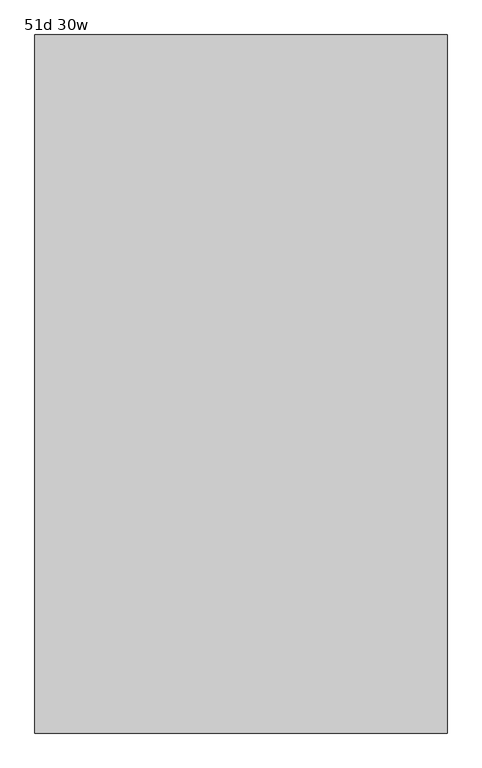
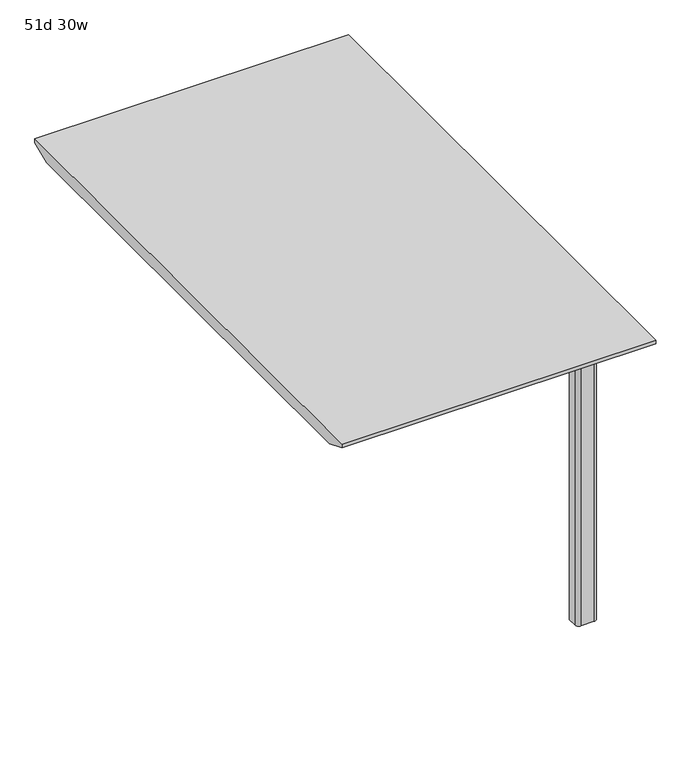
"""IFC4 building model written with IfcOpenShell, lengths in millimetres: furniture geometry, 51d 30w."""

from ifc_helpers import new_model, si_unit, point, frame_2d, origin, origin_with_axes, place, context, project, spatial, polyline, circle_curve, trimmed, segment, composite_curve, outline, extrude, faceted_brep, source, transform, mapped, element, save


def furniture_51d_30w_0f72da5d(model_context):
    return source(origin(), model_context, "Body", "SolidModel", [
        extrude(outline(composite_curve([segment(polyline([(508.0, -320.4034766), (457.2, -320.4034766), (457.2, -298.1784766)]), True, "CONTINUOUS"), segment(trimmed(circle_curve(frame_2d((466.725, -298.1784766)), 9.525), [point((457.2, -298.1784766))], [point((466.725, -288.6534766))], False, "CARTESIAN"), True, "CONTINUOUS"), segment(polyline([(466.725, -288.6534766), (498.475, -288.6534766)]), True, "CONTINUOUS"), segment(trimmed(circle_curve(frame_2d((498.475, -298.1784766)), 9.525), [point((498.475, -288.6534766))], [point((508.0, -298.1784766))], False, "CARTESIAN"), True, "CONTINUOUS"), segment(polyline([(508.0, -298.1784766), (508.0, -320.4034766)]), True, "CONTINUOUS")], self_intersect=False)), origin_with_axes(), (0.0, 0.0, 1.0), 711.2),
        extrude(outline(composite_curve([segment(polyline([(508.0, -1369.7409766), (508.0, -1391.9659766)]), True, "CONTINUOUS"), segment(trimmed(circle_curve(frame_2d((498.475, -1391.9659766)), 9.525), [point((508.0, -1391.9659766))], [point((498.475, -1401.4909766))], False, "CARTESIAN"), True, "CONTINUOUS"), segment(polyline([(498.475, -1401.4909766), (466.725, -1401.4909766)]), True, "CONTINUOUS"), segment(trimmed(circle_curve(frame_2d((466.725, -1391.9659766)), 9.525), [point((466.725, -1401.4909766))], [point((457.2, -1391.9659766))], False, "CARTESIAN"), True, "CONTINUOUS"), segment(polyline([(457.2, -1391.9659766), (457.2, -1369.7409766), (508.0, -1369.7409766)]), True, "CONTINUOUS")], self_intersect=False)), origin_with_axes(), (0.0, 0.0, 1.0), 711.2),
        faceted_brep([(596.9, -199.7534766, 741.3625), (-165.1, -199.7534766, 741.3625), (-165.1, -1490.3909766, 741.3625), (596.9, -1490.3909766, 741.3625), (-165.1, -1439.5909766, 711.2), (-165.1, -250.5534766, 711.2), (546.1, -250.5534766, 711.2), (546.1, -1439.5909766, 711.2), (596.9, -199.7534766, 731.8375), (-165.1, -199.7534766, 731.8375), (-165.1, -1490.3909766, 731.8375), (596.9, -1490.3909766, 731.8375)], [[[0, 1, 2, 3]], [[4, 5, 6, 7]], [[1, 0, 8, 9]], [[2, 1, 9, 5, 4, 10]], [[3, 2, 10, 11]], [[0, 3, 11, 8]], [[10, 4, 7, 11]], [[9, 8, 6, 5]], [[7, 6, 8, 11]]]),
    ])


if __name__ == "__main__":
    model = new_model("IFC4")
    model_context = context("Model", 3, world=origin())
    ifc_project = project(units=[si_unit("LENGTHUNIT", "METRE", prefix="MILLI")], contexts=[model_context])
    site = spatial("IfcSite", under=ifc_project)
    building = spatial("IfcBuilding", under=site)
    placement = place(None, origin())
    furniture_51d_30w_shape = furniture_51d_30w_0f72da5d(model_context)
    element("IfcFurniture", 1, ObjectType="51d 30w", at=placement, inside=building, context=model_context, shape_type="MappedRepresentation", body=[
        mapped(furniture_51d_30w_shape, transform((0.0, 0.0, 0.0), x_axis=(1.0, 0.0, 0.0), y_axis=(0.0, 1.0, 0.0), z_axis=(0.0, 0.0, 1.0))),
    ])
    save(model, "model.ifc")
